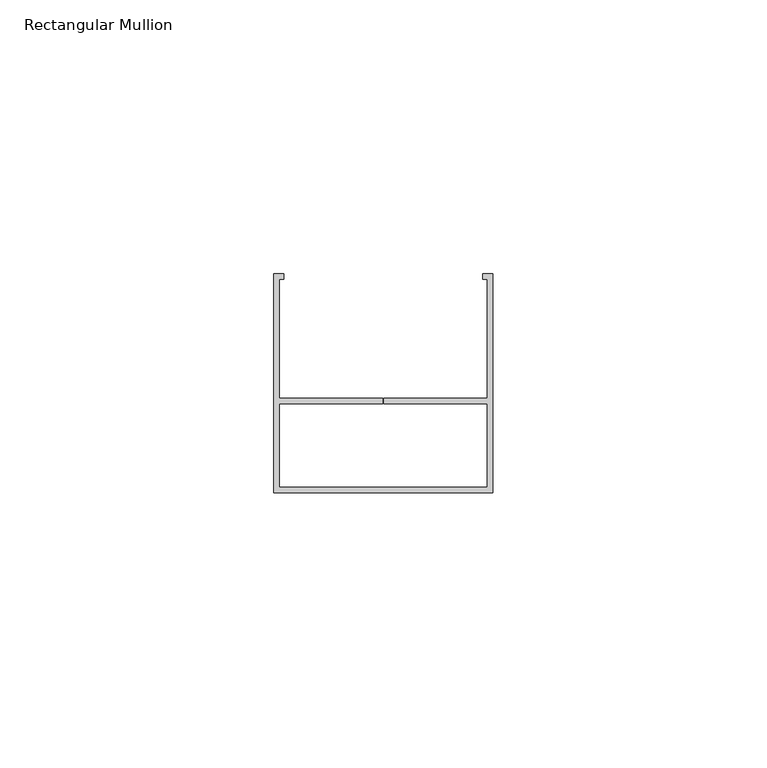
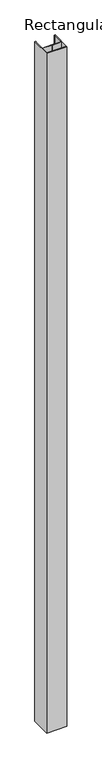
"""IFC4 building model written with IfcOpenShell, lengths in millimetres: member geometry, Rectangular Mullion."""

from ifc_helpers import new_model, si_unit, frame, origin, place, context, project, spatial, polyline, outline, extrude, source, transform, mapped, element, save


def rectangular_mullion_9e21e56f(model_context):
    return source(origin(), model_context, "Body", "SweptSolid", [
        extrude(outline(polyline([(-20.0, -20.0), (-20.0, 20.0), (-18.1456638, 20.0), (-18.1456638, 19.0), (-19.0, 19.0), (-19.0, -2.6912936), (-0.0934793, -2.6912936), (-0.0934793, -3.6912936), (-19.0, -3.6912936), (-19.0, -19.0), (19.0, -19.0), (19.0, -3.6912936), (0.0940207, -3.6912936), (0.0940207, -2.6912936), (19.0, -2.6912936), (19.0, 19.0), (18.121247, 19.0), (18.121247, 20.0), (20.0, 20.0), (20.0, -20.0), (-20.0, -20.0)])), frame((0.0, 0.0, -1416.6), z_axis=(0.0, 0.0, 1.0), x_axis=(1.0, 0.0, 0.0)), (0.0, 0.0, 1.0), 1416.6),
    ])


if __name__ == "__main__":
    model = new_model("IFC4")
    model_context = context("Model", 3, world=origin())
    ifc_project = project(units=[si_unit("LENGTHUNIT", "METRE", prefix="MILLI")], contexts=[model_context])
    site = spatial("IfcSite", under=ifc_project)
    building = spatial("IfcBuilding", under=site)
    placement = place(None, origin())
    rectangular_mullion_shape = rectangular_mullion_9e21e56f(model_context)
    element("IfcMember", 1, ObjectType="Rectangular Mullion", at=placement, inside=building, context=model_context, shape_type="MappedRepresentation", body=[
        mapped(rectangular_mullion_shape, transform((0.0, 0.0, 0.0), x_axis=(1.0, 0.0, 0.0), y_axis=(0.0, 1.0, 0.0), z_axis=(0.0, 0.0, 1.0))),
    ])
    save(model, "model.ifc")
